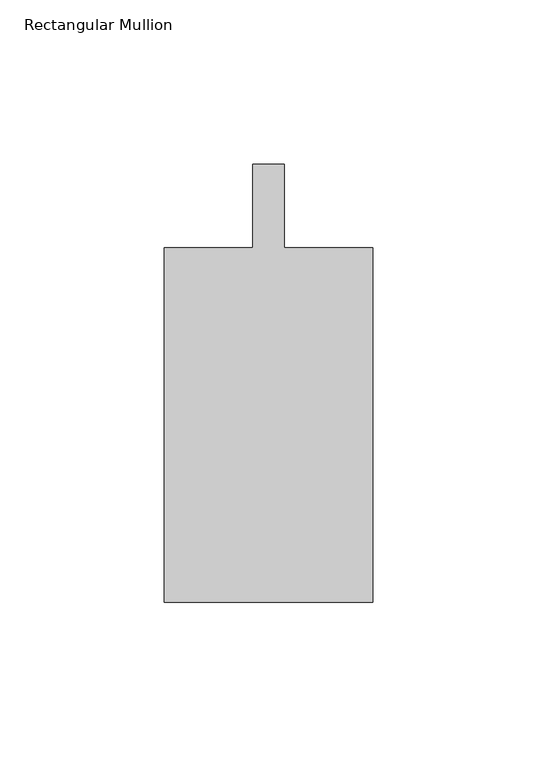
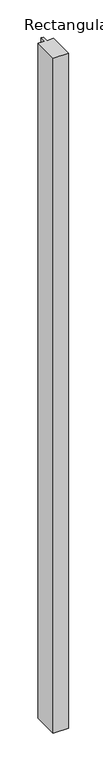
"""IFC4 building model written with IfcOpenShell, lengths in millimetres: member geometry, Rectangular Mullion."""

from ifc_helpers import new_model, si_unit, frame, origin, place, context, project, spatial, polyline, outline, extrude, source, transform, mapped, element, save


def rectangular_mullion_375936db(model_context):
    return source(origin(), model_context, "Body", "SweptSolid", [
        extrude(outline(polyline([(-4.7625, -12.7), (-4.7625, 12.7), (4.7625, 12.7), (4.7625, -12.7), (31.75, -12.7), (31.75, -120.65), (-31.75, -120.65), (-31.75, -12.7), (-4.7625, -12.7)])), frame((0.0, 0.0, -2978.15), z_axis=(0.0, 0.0, 1.0), x_axis=(1.0, 0.0, 0.0)), (0.0, 0.0, 1.0), 2978.15),
    ])


if __name__ == "__main__":
    model = new_model("IFC4")
    model_context = context("Model", 3, world=origin())
    ifc_project = project(units=[si_unit("LENGTHUNIT", "METRE", prefix="MILLI")], contexts=[model_context])
    site = spatial("IfcSite", under=ifc_project)
    building = spatial("IfcBuilding", under=site)
    placement = place(None, origin())
    rectangular_mullion_shape = rectangular_mullion_375936db(model_context)
    element("IfcMember", 1, ObjectType="Rectangular Mullion", at=placement, inside=building, context=model_context, shape_type="MappedRepresentation", body=[
        mapped(rectangular_mullion_shape, transform((0.0, 0.0, 0.0), x_axis=(1.0, 0.0, 0.0), y_axis=(0.0, 1.0, 0.0), z_axis=(0.0, 0.0, 1.0))),
    ])
    save(model, "model.ifc")
